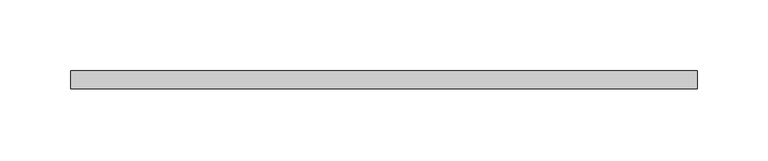
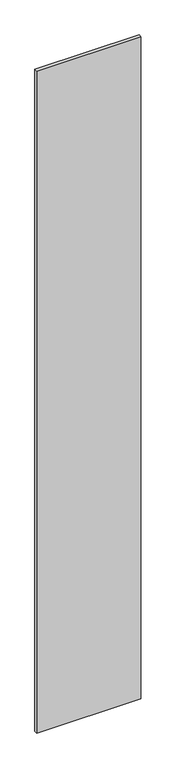
"""IFC4 building model written with IfcOpenShell, lengths in millimetres: plate geometry."""

from ifc_helpers import new_model, si_unit, origin, origin_with_axes, place, context, project, spatial, polyline, outline, extrude, source, transform, mapped, element, save


def plate_ac90cc8e(model_context):
    return source(origin(), model_context, "Body", "SweptSolid", [
        extrude(outline(polyline([(220.6625, 26.9875), (220.6625, 14.2875), (-220.6625, 14.2875), (-220.6625, 26.9875), (220.6625, 26.9875)])), origin_with_axes(), (0.0, 0.0, 1.0), 2965.45),
    ])


if __name__ == "__main__":
    model = new_model("IFC4")
    model_context = context("Model", 3, world=origin())
    ifc_project = project(units=[si_unit("LENGTHUNIT", "METRE", prefix="MILLI")], contexts=[model_context])
    site = spatial("IfcSite", under=ifc_project)
    building = spatial("IfcBuilding", under=site)
    placement = place(None, origin())
    plate_shape = plate_ac90cc8e(model_context)
    element("IfcPlate", 1, at=placement, inside=building, context=model_context, shape_type="MappedRepresentation", body=[
        mapped(plate_shape, transform((0.0, 0.0, 0.0), x_axis=(1.0, 0.0, 0.0), y_axis=(0.0, 1.0, 0.0), z_axis=(0.0, 0.0, 1.0))),
    ])
    save(model, "model.ifc")
